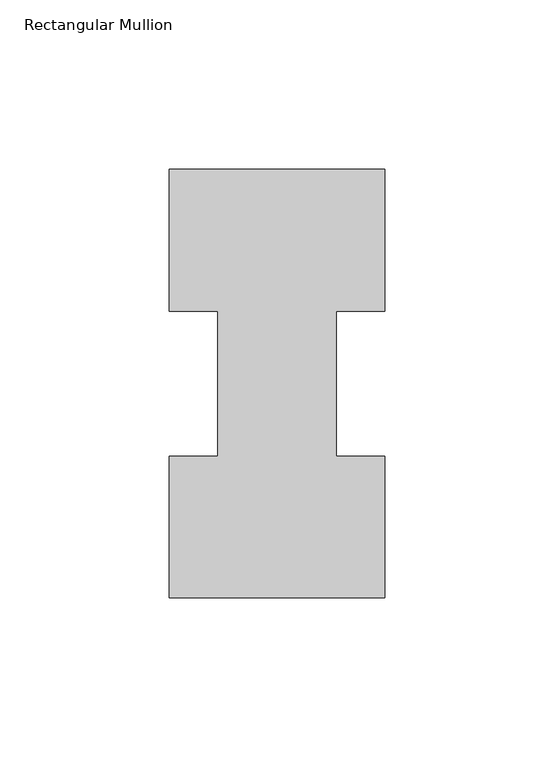
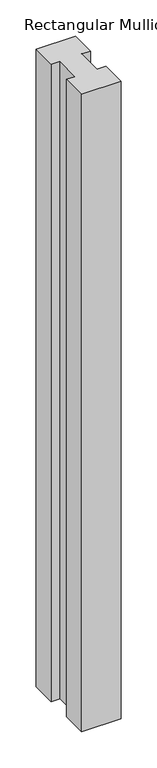
"""IFC4 building model written with IfcOpenShell, lengths in millimetres: member geometry, Rectangular Mullion."""

from ifc_helpers import new_model, si_unit, frame, origin, place, context, project, spatial, polyline, outline, extrude, source, transform, mapped, element, save


def rectangular_mullion_f702ff34(model_context):
    return source(origin(), model_context, "Body", "SweptSolid", [
        extrude(outline(polyline([(-63.5, 0.2967757), (-63.5, 42.1178757), (-49.2125, 42.1178757), (-49.2125, 84.93125), (-63.5, 84.93125), (-63.5, 126.7887757), (0.0, 126.7887757), (0.0, 84.93125), (-14.2748, 84.93125), (-14.2748, 42.1178757), (0.0, 42.1178757), (0.0, 0.2967757), (-63.5, 0.2967757)])), frame((0.0, 0.0, -1079.50635), z_axis=(0.0, 0.0, 1.0), x_axis=(1.0, 0.0, 0.0)), (0.0, 0.0, 1.0), 1079.50635),
    ])


if __name__ == "__main__":
    model = new_model("IFC4")
    model_context = context("Model", 3, world=origin())
    ifc_project = project(units=[si_unit("LENGTHUNIT", "METRE", prefix="MILLI")], contexts=[model_context])
    site = spatial("IfcSite", under=ifc_project)
    building = spatial("IfcBuilding", under=site)
    placement = place(None, origin())
    rectangular_mullion_shape = rectangular_mullion_f702ff34(model_context)
    element("IfcMember", 1, ObjectType="Rectangular Mullion", at=placement, inside=building, context=model_context, shape_type="MappedRepresentation", body=[
        mapped(rectangular_mullion_shape, transform((0.0, 0.0, 0.0), x_axis=(1.0, 0.0, 0.0), y_axis=(0.0, 1.0, 0.0), z_axis=(0.0, 0.0, 1.0))),
    ])
    save(model, "model.ifc")
